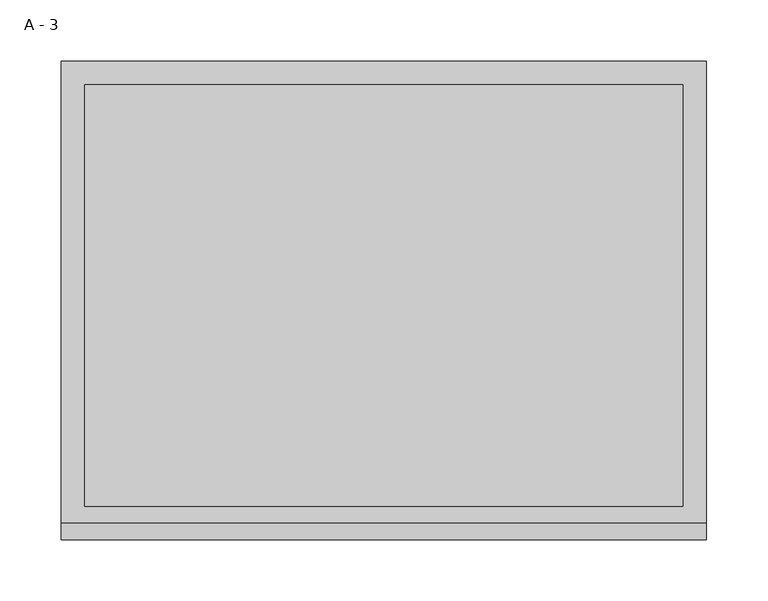
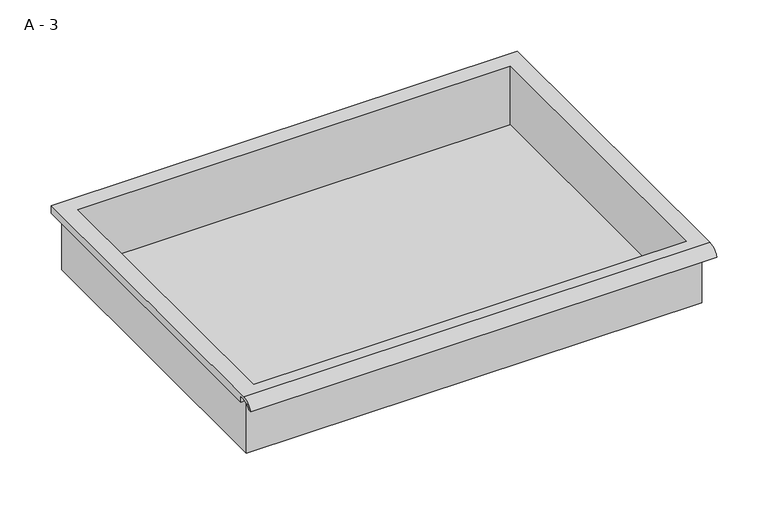
"""IFC4 building model written with IfcOpenShell, lengths in millimetres: furniture geometry, A - 3."""

from ifc_helpers import new_model, si_unit, frame, origin, place, context, project, spatial, polyline, circle_curve, source, transform, mapped, element, save
from ifc_brep_helpers import plane_surface, cylinder_surface, revolved_surface, advanced_brep


def a_3_2b14ed05(model_context):
    return source(origin(), model_context, "Body", "AdvancedBrep", [
        advanced_brep(
        [(-257.1076517, -176.2125, 509.5875), (257.2423483, -176.2125, 509.5875), (257.2423483, -176.2125, 573.0875), (263.5923483, -176.2125, 573.0875), (263.5923483, -176.2125, 579.3946341), (-263.4576517, -176.2125, 579.3946341), (-263.4576517, -176.2125, 573.0875), (-257.1076517, -176.2125, 573.0875), (257.2423483, 185.7375, 509.5875), (-257.1076517, 185.7375, 509.5875), (-257.1076517, 185.7375, 573.0875), (257.2423483, 185.7375, 573.0875), (263.5923483, -181.6070544, 582.6125), (263.5923483, 195.2625, 582.6125), (-263.4576517, 195.2625, 582.6125), (-263.4576517, -181.6070544, 582.6125), (244.5423483, -168.275, 582.6125), (-244.4076517, -168.275, 582.6125), (-244.4076517, 176.2125, 582.6125), (244.5423483, 176.2125, 582.6125), (263.5923483, -195.2625, 573.0875), (263.5923483, -191.8280601, 573.0875), (263.5923483, -180.4714815, 579.3946341), (263.5923483, 195.2625, 573.0875), (-263.4576517, 195.2625, 573.0875), (-263.4576517, -180.4714815, 579.3946341), (-263.4576517, -191.8280601, 573.0875), (-263.4576517, -195.2625, 573.0875), (-244.4076517, -168.275, 512.6136719), (244.5423483, -168.275, 512.6136719), (244.5423483, 176.2125, 512.6136719), (-244.4076517, 176.2125, 512.6136719)],
        [
            (0, 1),
            (1, 2),
            (2, 3),
            (3, 4),
            (4, 5),
            (5, 6),
            (6, 7),
            (7, 0),
            (8, 9),
            (9, 10),
            (10, 11),
            (11, 8),
            (0, 9),
            (8, 1),
            (11, 2),
            (12, 13),
            (13, 14),
            (14, 15),
            (15, 12),
            (16, 17),
            (17, 18),
            (18, 19),
            (19, 16),
            (7, 10),
            (12, 20, circle_curve(frame((263.5923483, -181.6070544, 568.0614859), z_axis=(1.0, 0.0, 0.0), x_axis=(0.0, 1.0, 0.0)), 14.5510141)),
            (20, 21),
            (21, 22, circle_curve(frame((263.5923483, -181.6070544, 568.0614859), z_axis=(-1.0, 0.0, 0.0), x_axis=(0.0, 1.0, 0.0)), 11.3898979)),
            (22, 4),
            (3, 23),
            (23, 13),
            (14, 24),
            (24, 6),
            (5, 25),
            (25, 26, circle_curve(frame((-263.4576517, -181.6070544, 568.0614859), z_axis=(1.0, 0.0, 0.0), x_axis=(0.0, 1.0, 0.0)), 11.3898979)),
            (26, 27),
            (27, 15, circle_curve(frame((-263.4576517, -181.6070544, 568.0614859), z_axis=(-1.0, 0.0, 0.0), x_axis=(0.0, 1.0, 0.0)), 14.5510141)),
            (27, 20),
            (26, 21),
            (25, 22),
            (24, 23),
            (28, 29),
            (29, 30),
            (30, 31),
            (31, 28),
            (28, 17),
            (16, 29),
            (19, 30),
            (18, 31),
        ],
        [
            plane_surface(frame((257.2423483, -176.2125, 509.5875), z_axis=(0.0, -1.0, 0.0), x_axis=(1.0, 0.0, 0.0))),
            plane_surface(frame((257.2423483, 185.7375, 509.5875), z_axis=(0.0, 1.0, 0.0), x_axis=(-1.0, 0.0, 0.0))),
            plane_surface(frame((-257.1076517, -176.2125, 509.5875), z_axis=(0.0, 0.0, -1.0), x_axis=(0.0, 1.0, 0.0))),
            plane_surface(frame((257.2423483, -176.2125, 509.5875), z_axis=(1.0, 0.0, 0.0), x_axis=(0.0, 1.0, 0.0))),
            plane_surface(frame((257.2423483, -176.2125, 582.6125), z_axis=(0.0, 0.0, 1.0), x_axis=(0.0, 1.0, 0.0))),
            plane_surface(frame((-257.1076517, -176.2125, 582.6125), z_axis=(-1.0, 0.0, 0.0), x_axis=(0.0, 1.0, 0.0))),
            plane_surface(frame((263.5923483, 195.2625, 582.6125), z_axis=(1.0, 0.0, 0.0), x_axis=(0.0, -1.0, 0.0))),
            plane_surface(frame((-263.4576517, 195.2625, 582.6125), z_axis=(-1.0, 0.0, 0.0), x_axis=(0.0, 1.0, 0.0))),
            cylinder_surface(frame((-263.4576517, -181.6070544, 568.0614859), z_axis=(1.0, 0.0, 0.0), x_axis=(0.0, 1.0, 0.0)), 14.5510141),
            plane_surface(frame((263.5923483, -195.2625, 573.0875), z_axis=(0.0, -7.271527215961602e-12, -1.0), x_axis=(-1.0, 0.0, 0.0))),
            revolved_surface(polyline([(-263.4576517, -170.21715650000002, 568.0614859), (263.59234829999997, -170.21715650000002, 568.0614859)]), (-263.4576517, -181.6070544, 568.0614859), (-1.0, 0.0, 0.0)),
            plane_surface(frame((263.5923483, -180.4714815, 579.3946341), z_axis=(0.0, -1.7988537739368317e-11, -1.0), x_axis=(-1.0, 0.0, 0.0))),
            plane_surface(frame((263.5923483, -176.2125, 573.0875), z_axis=(0.0, 0.0, -1.0), x_axis=(-1.0, 0.0, 0.0))),
            plane_surface(frame((263.5923483, 195.2625, 573.0875), z_axis=(0.0, 1.0, 0.0), x_axis=(-1.0, 0.0, 0.0))),
            plane_surface(frame((244.5423483, -168.275, 512.6136719), z_axis=(0.0, 0.0, 1.0), x_axis=(-1.0, 0.0, 0.0))),
            plane_surface(frame((-244.4076517, -168.275, 582.6125), z_axis=(0.0, 1.0, 0.0), x_axis=(0.0, 0.0, -1.0))),
            plane_surface(frame((244.5423483, -168.275, 582.6125), z_axis=(-1.0, 0.0, 0.0), x_axis=(0.0, 0.0, -1.0))),
            plane_surface(frame((244.5423483, 176.2125, 582.6125), z_axis=(0.0, -1.0, 0.0), x_axis=(0.0, 0.0, -1.0))),
            plane_surface(frame((-244.4076517, 176.2125, 582.6125), z_axis=(1.0, 0.0, 0.0), x_axis=(0.0, 0.0, -1.0))),
        ],
        [
            (0, [[1, 2, 3, 4, 5, 6, 7, 8]]),
            (1, [[9, 10, 11, 12]]),
            (2, [[-1, 13, -9, 14]]),
            (3, [[-14, -12, 15, -2]]),
            (4, [[16, 17, 18, 19], [20, 21, 22, 23]]),
            (5, [[-13, -8, 24, -10]]),
            (6, [[-16, 25, 26, 27, 28, -4, 29, 30]]),
            (7, [[31, 32, -6, 33, 34, 35, 36, -18]]),
            (8, [[-25, -19, -36, 37]]),
            (9, [[-26, -37, -35, 38]]),
            (10, [[-27, -38, -34, 39]]),
            (11, [[-28, -39, -33, -5]]),
            (12, [[-29, -3, -15, -11, -24, -7, -32, 40]]),
            (13, [[-30, -40, -31, -17]]),
            (14, [[41, 42, 43, 44]]),
            (15, [[-41, 45, -20, 46]]),
            (16, [[-42, -46, -23, 47]]),
            (17, [[-43, -47, -22, 48]]),
            (18, [[-44, -48, -21, -45]]),
        ],
    ),
    ])


if __name__ == "__main__":
    model = new_model("IFC4")
    model_context = context("Model", 3, world=origin())
    ifc_project = project(units=[si_unit("LENGTHUNIT", "METRE", prefix="MILLI")], contexts=[model_context])
    site = spatial("IfcSite", under=ifc_project)
    building = spatial("IfcBuilding", under=site)
    placement = place(None, origin())
    a_3_shape = a_3_2b14ed05(model_context)
    element("IfcFurniture", 1, ObjectType="A - 3", at=placement, inside=building, context=model_context, shape_type="MappedRepresentation", body=[
        mapped(a_3_shape, transform((0.0, 0.0, 0.0), x_axis=(1.0, 0.0, 0.0), y_axis=(0.0, 1.0, 0.0), z_axis=(0.0, 0.0, 1.0))),
    ])
    save(model, "model.ifc")
